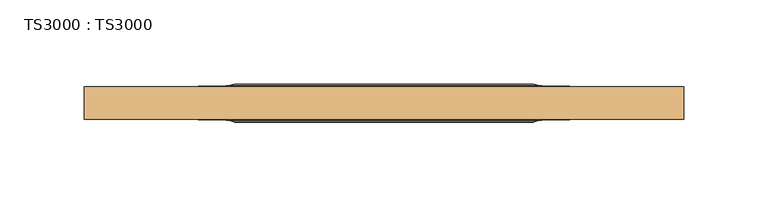
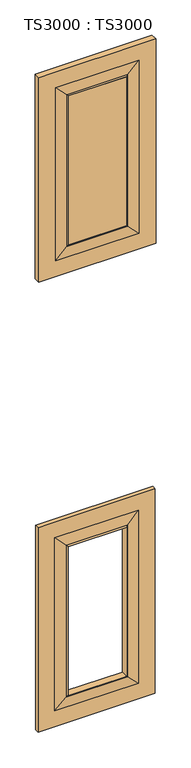
"""IFC4 building model written with IfcOpenShell, lengths in millimetres: door geometry, TS3000 : TS3000."""

from ifc_helpers import new_model, si_unit, frame, origin, place, context, project, spatial, polyline, ellipse_curve, outline, extrude, source, transform, mapped, element, save
from ifc_brep_helpers import plane_surface, revolved_surface, advanced_brep


def ts3000_ts3000_a5b986c2(model_context):
    return source(origin(), model_context, "Body", "SolidModel", [
        advanced_brep(
        [(482.6, -12.7, 2311.4), (482.6, -31.75, 2311.4), (482.6, -31.75, 1655.2333333), (482.6, -12.7, 1655.2333333), (393.7, -33.3375, 2222.5), (393.7, -11.1125, 2222.5), (393.7, -11.1125, 1744.1333333), (393.7, -33.3375, 1744.1333333), (127.0, -31.75, 1655.2333333), (127.0, -12.7, 1655.2333333), (215.9, -11.1125, 1744.1333333), (215.9, -33.3375, 1744.1333333), (127.0, -31.75, 2311.4), (127.0, -12.7, 2311.4), (215.9, -11.1125, 2222.5), (215.9, -33.3375, 2222.5), (431.8, -31.75, 1706.0333333), (177.8, -31.75, 1706.0333333), (177.8, -31.75, 2260.6), (431.8, -31.75, 2260.6), (431.8, -12.7, 2260.6), (177.8, -12.7, 2260.6), (177.8, -12.7, 1706.0333333), (431.8, -12.7, 1706.0333333), (398.4625, -32.54375, 2227.2625), (398.4625, -32.54375, 1739.3708333), (211.1375, -32.54375, 1739.3708333), (211.1375, -32.54375, 2227.2625), (398.4625, -11.90625, 2227.2625), (398.4625, -11.90625, 1739.3708333), (211.1375, -11.90625, 1739.3708333), (211.1375, -11.90625, 2227.2625)],
        [
            (0, 1),
            (1, 2),
            (2, 3),
            (3, 0),
            (4, 5),
            (5, 6),
            (6, 7),
            (7, 4),
            (2, 8),
            (8, 9),
            (9, 3),
            (6, 10),
            (10, 11),
            (11, 7),
            (8, 12),
            (12, 13),
            (13, 9),
            (10, 14),
            (14, 15),
            (15, 11),
            (1, 12),
            (16, 17),
            (17, 18),
            (18, 19),
            (19, 16),
            (0, 13),
            (20, 21),
            (21, 22),
            (22, 23),
            (23, 20),
            (14, 5),
            (4, 15),
            (19, 24),
            (24, 25),
            (25, 16),
            (25, 26),
            (26, 17),
            (26, 27),
            (27, 18),
            (27, 24),
            (28, 20),
            (23, 29),
            (29, 28),
            (5, 28, ellipse_curve(frame((398.9585938, 5.7546875, 2227.7585938), z_axis=(-0.7071067811865475, 0.0, 0.7071067811865475), x_axis=(-0.7071067811865474, 0.0, -0.7071067811865476)), 24.9861891, 17.6679037)),
            (29, 6, ellipse_curve(frame((398.9585938, 5.7546875, 1738.8747396), z_axis=(-0.7071067811865475, 0.0, -0.7071067811865475), x_axis=(0.7071067811865474, 0.0, -0.7071067811865476)), 24.9861891, 17.6679037)),
            (24, 4, ellipse_curve(frame((398.9585938, -50.2046875, 2227.7585938), z_axis=(-0.7071067811865475, 0.0, 0.7071067811865475), x_axis=(-0.7071067811865474, 0.0, -0.7071067811865476)), 24.9861891, 17.6679037)),
            (7, 25, ellipse_curve(frame((398.9585938, -50.2046875, 1738.8747396), z_axis=(-0.7071067811865475, 0.0, -0.7071067811865475), x_axis=(0.7071067811865474, 0.0, -0.7071067811865476)), 24.9861891, 17.6679037)),
            (22, 30),
            (30, 29),
            (30, 10, ellipse_curve(frame((210.6414063, 5.7546875, 1738.8747396), z_axis=(-0.7071067811865475, 0.0, 0.7071067811865475), x_axis=(-0.7071067811865476, 0.0, -0.7071067811865474)), 24.9861891, 17.6679037)),
            (11, 26, ellipse_curve(frame((210.6414063, -50.2046875, 1738.8747396), z_axis=(-0.7071067811865475, 0.0, 0.7071067811865475), x_axis=(-0.7071067811865476, 0.0, -0.7071067811865474)), 24.9861891, 17.6679037)),
            (21, 31),
            (31, 30),
            (31, 14, ellipse_curve(frame((210.6414063, 5.7546875, 2227.7585938), z_axis=(0.7071067811865475, 0.0, 0.7071067811865475), x_axis=(-0.7071067811865474, 0.0, 0.7071067811865476)), 24.9861891, 17.6679037)),
            (15, 27, ellipse_curve(frame((210.6414063, -50.2046875, 2227.7585938), z_axis=(0.7071067811865475, 0.0, 0.7071067811865475), x_axis=(-0.7071067811865474, 0.0, 0.7071067811865476)), 24.9861891, 17.6679037)),
            (28, 31),
        ],
        [
            plane_surface(frame((482.6, -31.75, 2311.4), z_axis=(1.0, 0.0, 0.0), x_axis=(0.0, 0.0, -1.0))),
            plane_surface(frame((393.7, -11.1125, 2222.5), z_axis=(-1.0, 0.0, 0.0), x_axis=(0.0, 0.0, -1.0))),
            plane_surface(frame((482.6, -31.75, 1655.2333333), z_axis=(0.0, 0.0, -1.0), x_axis=(-1.0, 0.0, 0.0))),
            plane_surface(frame((393.7, -11.1125, 1744.1333333), z_axis=(0.0, 0.0, 1.0), x_axis=(-1.0, 0.0, 0.0))),
            plane_surface(frame((127.0, -31.75, 1655.2333333), z_axis=(-1.0, 0.0, 0.0), x_axis=(0.0, 0.0, 1.0))),
            plane_surface(frame((215.9, -11.1125, 1744.1333333), z_axis=(1.0, 0.0, 0.0), x_axis=(0.0, 0.0, 1.0))),
            plane_surface(frame((177.8, -31.75, 2260.6), z_axis=(0.0, -1.0, 0.0), x_axis=(1.0, 0.0, 0.0))),
            plane_surface(frame((127.0, -31.75, 2311.4), z_axis=(0.0, 0.0, 1.0), x_axis=(1.0, 0.0, 0.0))),
            plane_surface(frame((127.0, -12.7, 2311.4), z_axis=(0.0, 1.0, 0.0), x_axis=(1.0, 0.0, 0.0))),
            plane_surface(frame((215.9, -11.1125, 2222.5), z_axis=(0.0, 0.0, -1.0), x_axis=(1.0, 0.0, 0.0))),
            plane_surface(frame((398.4625, -32.54375, 2227.2625), z_axis=(0.023802777946325054, -0.9997166737441353, 0.0), x_axis=(0.0, 0.0, -1.0))),
            plane_surface(frame((398.4625, -32.54375, 1739.3708333), z_axis=(0.0, -0.9997166737441353, -0.02380277794632829), x_axis=(-1.0, 0.0, 0.0))),
            plane_surface(frame((211.1375, -32.54375, 1739.3708333), z_axis=(-0.023802777946331524, -0.9997166737441352, 0.0), x_axis=(0.0, 0.0, 1.0))),
            plane_surface(frame((211.1375, -32.54375, 2227.2625), z_axis=(0.0, -0.9997166737441353, 0.02380277794632829), x_axis=(1.0, 0.0, 0.0))),
            plane_surface(frame((431.8, -12.7, 2260.6), z_axis=(0.023802777946332284, 0.9997166737441352, 0.0), x_axis=(0.0, 0.0, -1.0))),
            revolved_surface(polyline([(381.2906901, 5.7546875, 1721.2068358513807), (381.2906901, 5.7546875, 2245.4264975486194)]), (398.9585938, 5.7546875, 2222.5), (0.0, 0.0, -1.0)),
            revolved_surface(polyline([(381.2906901, -50.2046875, 1721.2068358513807), (381.2906901, -50.2046875, 2245.4264975486194)]), (398.9585938, -50.2046875, 2222.5), (0.0, 0.0, -1.0)),
            plane_surface(frame((431.8, -12.7, 1706.0333333), z_axis=(0.0, 0.9997166737441353, -0.02380277794632905), x_axis=(-1.0, 0.0, 0.0))),
            revolved_surface(polyline([(192.9735025513806, 5.7546875, 1756.5426433), (416.6264975486194, 5.7546875, 1756.5426433)]), (393.7, 5.7546875, 1738.8747396), (-1.0, 0.0, 0.0)),
            revolved_surface(polyline([(192.9735025513806, -50.2046875, 1756.5426433), (416.6264975486194, -50.2046875, 1756.5426433)]), (393.7, -50.2046875, 1738.8747396), (-1.0, 0.0, 0.0)),
            plane_surface(frame((177.8, -12.7, 1706.0333333), z_axis=(-0.023802777946325817, 0.9997166737441354, 0.0), x_axis=(0.0, 0.0, 1.0))),
            revolved_surface(polyline([(228.30931, 5.7546875, 2245.4264975486194), (228.30931, 5.7546875, 1721.2068358513807)]), (210.6414063, 5.7546875, 1744.1333333), (0.0, 0.0, 1.0)),
            revolved_surface(polyline([(228.30931, -50.2046875, 2245.4264975486194), (228.30931, -50.2046875, 1721.2068358513807)]), (210.6414063, -50.2046875, 1744.1333333), (0.0, 0.0, 1.0)),
            plane_surface(frame((177.8, -12.7, 2260.6), z_axis=(0.0, 0.9997166737441353, 0.02380277794632905), x_axis=(1.0, 0.0, 0.0))),
            revolved_surface(polyline([(416.62649754861945, 5.7546875, 2210.0906901000003), (192.9735025513806, 5.7546875, 2210.0906901000003)]), (215.9, 5.7546875, 2227.7585938), (1.0, 0.0, 0.0)),
            revolved_surface(polyline([(416.62649754861945, -50.2046875, 2210.0906901000003), (192.9735025513806, -50.2046875, 2210.0906901000003)]), (215.9, -50.2046875, 2227.7585938), (1.0, 0.0, 0.0)),
        ],
        [
            (0, [[1, 2, 3, 4]]),
            (1, [[5, 6, 7, 8]]),
            (2, [[-3, 9, 10, 11]]),
            (3, [[-7, 12, 13, 14]]),
            (4, [[-10, 15, 16, 17]]),
            (5, [[-13, 18, 19, 20]]),
            (6, [[21, -15, -9, -2], [22, 23, 24, 25]]),
            (7, [[-16, -21, -1, 26]]),
            (8, [[-11, -17, -26, -4], [27, 28, 29, 30]]),
            (9, [[-19, 31, -5, 32]]),
            (10, [[33, 34, 35, -25]]),
            (11, [[-35, 36, 37, -22]]),
            (12, [[-37, 38, 39, -23]]),
            (13, [[-39, 40, -33, -24]]),
            (14, [[41, -30, 42, 43]]),
            (15, [[44, -43, 45, -6]]),
            (16, [[46, -8, 47, -34]]),
            (17, [[-42, -29, 48, 49]]),
            (18, [[-45, -49, 50, -12]]),
            (19, [[-47, -14, 51, -36]]),
            (20, [[-48, -28, 52, 53]]),
            (21, [[-50, -53, 54, -18]]),
            (22, [[-51, -20, 55, -38]]),
            (23, [[-52, -27, -41, 56]]),
            (24, [[-54, -56, -44, -31]]),
            (25, [[-55, -32, -46, -40]]),
        ],
    ),
        advanced_brep(
        [(482.6, -15.875, 865.7166667), (482.6, -28.575, 865.7166667), (482.6, -28.575, 209.55), (482.6, -15.875, 209.55), (393.7, -33.3375, 776.8166667), (393.7, -11.1125, 776.8166667), (393.7, -11.1125, 298.45), (393.7, -33.3375, 298.45), (127.0, -28.575, 209.55), (127.0, -15.875, 209.55), (215.9, -11.1125, 298.45), (215.9, -33.3375, 298.45), (127.0, -28.575, 865.7166667), (127.0, -15.875, 865.7166667), (215.9, -11.1125, 776.8166667), (215.9, -33.3375, 776.8166667), (431.8, -28.575, 260.35), (177.8, -28.575, 260.35), (177.8, -28.575, 814.9166667), (431.8, -28.575, 814.9166667), (431.8, -15.875, 814.9166667), (177.8, -15.875, 814.9166667), (177.8, -15.875, 260.35), (431.8, -15.875, 260.35), (398.4625, -30.95625, 781.5791667), (398.4625, -30.95625, 293.6875), (211.1375, -30.95625, 293.6875), (211.1375, -30.95625, 781.5791667), (398.4625, -13.49375, 781.5791667), (398.4625, -13.49375, 293.6875), (211.1375, -13.49375, 293.6875), (211.1375, -13.49375, 781.5791667)],
        [
            (0, 1),
            (1, 2),
            (2, 3),
            (3, 0),
            (4, 5),
            (5, 6),
            (6, 7),
            (7, 4),
            (2, 8),
            (8, 9),
            (9, 3),
            (6, 10),
            (10, 11),
            (11, 7),
            (8, 12),
            (12, 13),
            (13, 9),
            (10, 14),
            (14, 15),
            (15, 11),
            (1, 12),
            (16, 17),
            (17, 18),
            (18, 19),
            (19, 16),
            (0, 13),
            (20, 21),
            (21, 22),
            (22, 23),
            (23, 20),
            (14, 5),
            (4, 15),
            (19, 24),
            (24, 25),
            (25, 16),
            (25, 26),
            (26, 17),
            (26, 27),
            (27, 18),
            (27, 24),
            (28, 20),
            (23, 29),
            (29, 28),
            (5, 28, ellipse_curve(frame((398.9585938, -6.5484375, 782.0752604), z_axis=(-0.7071067811865475, 0.0, 0.7071067811865475), x_axis=(-0.7071067811865474, 0.0, -0.7071067811865476)), 9.8471798, 6.9630076)),
            (29, 6, ellipse_curve(frame((398.9585938, -6.5484375, 293.1914062), z_axis=(-0.7071067811865475, 0.0, -0.7071067811865475), x_axis=(0.7071067811865474, 0.0, -0.7071067811865476)), 9.8471798, 6.9630076)),
            (24, 4, ellipse_curve(frame((398.9585938, -37.9015625, 782.0752604), z_axis=(-0.7071067811865475, 0.0, 0.7071067811865475), x_axis=(-0.7071067811865474, 0.0, -0.7071067811865476)), 9.8471798, 6.9630076)),
            (7, 25, ellipse_curve(frame((398.9585938, -37.9015625, 293.1914062), z_axis=(-0.7071067811865475, 0.0, -0.7071067811865475), x_axis=(0.7071067811865474, 0.0, -0.7071067811865476)), 9.8471798, 6.9630076)),
            (22, 30),
            (30, 29),
            (30, 10, ellipse_curve(frame((210.6414063, -6.5484375, 293.1914062), z_axis=(-0.7071067811865475, 0.0, 0.7071067811865475), x_axis=(-0.7071067811865476, 0.0, -0.7071067811865474)), 9.8471798, 6.9630076)),
            (11, 26, ellipse_curve(frame((210.6414063, -37.9015625, 293.1914062), z_axis=(-0.7071067811865475, 0.0, 0.7071067811865475), x_axis=(-0.7071067811865476, 0.0, -0.7071067811865474)), 9.8471798, 6.9630076)),
            (21, 31),
            (31, 30),
            (31, 14, ellipse_curve(frame((210.6414063, -6.5484375, 782.0752604), z_axis=(0.7071067811865475, 0.0, 0.7071067811865475), x_axis=(-0.7071067811865474, 0.0, 0.7071067811865476)), 9.8471798, 6.9630076)),
            (15, 27, ellipse_curve(frame((210.6414063, -37.9015625, 782.0752604), z_axis=(0.7071067811865475, 0.0, 0.7071067811865475), x_axis=(-0.7071067811865474, 0.0, 0.7071067811865476)), 9.8471798, 6.9630076)),
            (28, 31),
        ],
        [
            plane_surface(frame((482.6, -28.575, 865.7166667), z_axis=(1.0, 0.0, 0.0), x_axis=(0.0, 0.0, -1.0))),
            plane_surface(frame((393.7, -11.1125, 776.8166667), z_axis=(-1.0, 0.0, 0.0), x_axis=(0.0, 0.0, -1.0))),
            plane_surface(frame((482.6, -28.575, 209.55), z_axis=(0.0, 0.0, -1.0), x_axis=(-1.0, 0.0, 0.0))),
            plane_surface(frame((393.7, -11.1125, 298.45), z_axis=(0.0, 0.0, 1.0), x_axis=(-1.0, 0.0, 0.0))),
            plane_surface(frame((127.0, -28.575, 209.55), z_axis=(-1.0, 0.0, 0.0), x_axis=(0.0, 0.0, 1.0))),
            plane_surface(frame((215.9, -11.1125, 298.45), z_axis=(1.0, 0.0, 0.0), x_axis=(0.0, 0.0, 1.0))),
            plane_surface(frame((177.8, -28.575, 814.9166667), z_axis=(0.0, -1.0, 0.0), x_axis=(1.0, 0.0, 0.0))),
            plane_surface(frame((127.0, -28.575, 865.7166667), z_axis=(0.0, 0.0, 1.0), x_axis=(1.0, 0.0, 0.0))),
            plane_surface(frame((127.0, -15.875, 865.7166667), z_axis=(0.0, 1.0, 0.0), x_axis=(1.0, 0.0, 0.0))),
            plane_surface(frame((215.9, -11.1125, 776.8166667), z_axis=(0.0, 0.0, -1.0), x_axis=(1.0, 0.0, 0.0))),
            plane_surface(frame((398.4625, -30.95625, 781.5791667), z_axis=(0.07124704998802811, -0.9974586998307265, 0.0), x_axis=(0.0, 0.0, -1.0))),
            plane_surface(frame((398.4625, -30.95625, 293.6875), z_axis=(0.0, -0.9974586998307263, -0.07124704998803134), x_axis=(-1.0, 0.0, 0.0))),
            plane_surface(frame((211.1375, -30.95625, 293.6875), z_axis=(-0.07124704998803458, -0.9974586998307261, 0.0), x_axis=(0.0, 0.0, 1.0))),
            plane_surface(frame((211.1375, -30.95625, 781.5791667), z_axis=(0.0, -0.9974586998307263, 0.07124704998803134), x_axis=(1.0, 0.0, 0.0))),
            plane_surface(frame((431.8, -15.875, 814.9166667), z_axis=(0.07124704998803484, 0.9974586998307261, 0.0), x_axis=(0.0, 0.0, -1.0))),
            revolved_surface(polyline([(391.9955862, -6.5484375, 286.2283985878568), (391.9955862, -6.5484375, 789.0382680121432)]), (398.9585938, -6.5484375, 776.8166667), (0.0, 0.0, -1.0)),
            revolved_surface(polyline([(391.9955862, -37.9015625, 286.2283985878568), (391.9955862, -37.9015625, 789.0382680121432)]), (398.9585938, -37.9015625, 776.8166667), (0.0, 0.0, -1.0)),
            plane_surface(frame((431.8, -15.875, 260.35), z_axis=(0.0, 0.9974586998307263, -0.07124704998803161), x_axis=(-1.0, 0.0, 0.0))),
            revolved_surface(polyline([(203.6783986878568, -6.5484375, 300.15441380000004), (405.9216014121432, -6.5484375, 300.15441380000004)]), (393.7, -6.5484375, 293.1914062), (-1.0, 0.0, 0.0)),
            revolved_surface(polyline([(203.6783986878568, -37.9015625, 300.15441380000004), (405.9216014121432, -37.9015625, 300.15441380000004)]), (393.7, -37.9015625, 293.1914062), (-1.0, 0.0, 0.0)),
            plane_surface(frame((177.8, -15.875, 260.35), z_axis=(-0.07124704998802837, 0.9974586998307265, 0.0), x_axis=(0.0, 0.0, 1.0))),
            revolved_surface(polyline([(217.6044139, -6.5484375, 789.0382680121432), (217.6044139, -6.5484375, 286.2283985878568)]), (210.6414063, -6.5484375, 298.45), (0.0, 0.0, 1.0)),
            revolved_surface(polyline([(217.6044139, -37.9015625, 789.0382680121432), (217.6044139, -37.9015625, 286.2283985878568)]), (210.6414063, -37.9015625, 298.45), (0.0, 0.0, 1.0)),
            plane_surface(frame((177.8, -15.875, 814.9166667), z_axis=(0.0, 0.9974586998307263, 0.07124704998803161), x_axis=(1.0, 0.0, 0.0))),
            revolved_surface(polyline([(405.9216014121432, -6.5484375, 775.1122528000001), (203.6783986878568, -6.5484375, 775.1122528000001)]), (215.9, -6.5484375, 782.0752604), (1.0, 0.0, 0.0)),
            revolved_surface(polyline([(405.9216014121432, -37.9015625, 775.1122528000001), (203.6783986878568, -37.9015625, 775.1122528000001)]), (215.9, -37.9015625, 782.0752604), (1.0, 0.0, 0.0)),
        ],
        [
            (0, [[1, 2, 3, 4]]),
            (1, [[5, 6, 7, 8]]),
            (2, [[-3, 9, 10, 11]]),
            (3, [[-7, 12, 13, 14]]),
            (4, [[-10, 15, 16, 17]]),
            (5, [[-13, 18, 19, 20]]),
            (6, [[21, -15, -9, -2], [22, 23, 24, 25]]),
            (7, [[-16, -21, -1, 26]]),
            (8, [[-11, -17, -26, -4], [27, 28, 29, 30]]),
            (9, [[-19, 31, -5, 32]]),
            (10, [[33, 34, 35, -25]]),
            (11, [[-35, 36, 37, -22]]),
            (12, [[-37, 38, 39, -23]]),
            (13, [[-39, 40, -33, -24]]),
            (14, [[41, -30, 42, 43]]),
            (15, [[44, -43, 45, -6]]),
            (16, [[46, -8, 47, -34]]),
            (17, [[-42, -29, 48, 49]]),
            (18, [[-45, -49, 50, -12]]),
            (19, [[-47, -14, 51, -36]]),
            (20, [[-48, -28, 52, 53]]),
            (21, [[-50, -53, 54, -18]]),
            (22, [[-51, -20, 55, -38]]),
            (23, [[-52, -27, -41, 56]]),
            (24, [[-54, -56, -44, -31]]),
            (25, [[-55, -32, -46, -40]]),
        ],
    ),
        extrude(outline(polyline([(215.9, -11.1125), (393.7, -11.1125), (393.7, -33.3375), (215.9, -33.3375), (215.9, -11.1125)])), frame((0.0, 0.0, 1744.1333333), z_axis=(0.0, 0.0, 1.0), x_axis=(1.0, 0.0, 0.0)), (0.0, 0.0, 1.0), 478.3666667),
    ])


if __name__ == "__main__":
    model = new_model("IFC4")
    model_context = context("Model", 3, world=origin())
    ifc_project = project(units=[si_unit("LENGTHUNIT", "METRE", prefix="MILLI")], contexts=[model_context])
    site = spatial("IfcSite", under=ifc_project)
    building = spatial("IfcBuilding", under=site)
    placement = place(None, origin())
    ts3000_ts3000_shape = ts3000_ts3000_a5b986c2(model_context)
    element("IfcDoor", 1, ObjectType="TS3000 : TS3000", at=placement, inside=building, context=model_context, shape_type="MappedRepresentation", body=[
        mapped(ts3000_ts3000_shape, transform((0.0, 0.0, 0.0), x_axis=(1.0, 0.0, 0.0), y_axis=(0.0, 1.0, 0.0), z_axis=(0.0, 0.0, 1.0))),
    ])
    save(model, "model.ifc")
